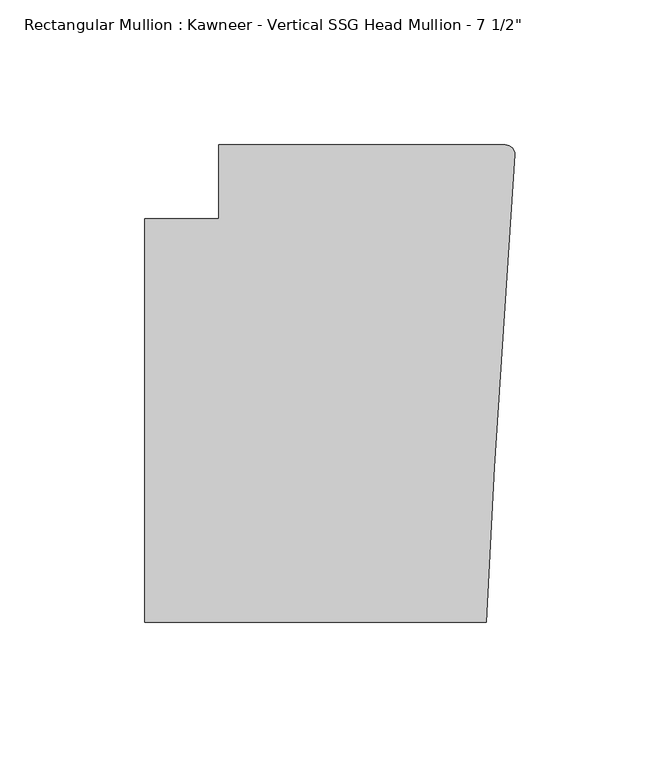
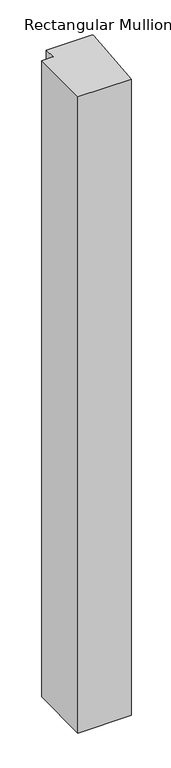
"""IFC4 building model written with IfcOpenShell, lengths in millimetres: member geometry."""

from ifc_helpers import new_model, si_unit, point, frame, frame_2d, origin, place, context, project, spatial, polyline, circle_curve, trimmed, segment, composite_curve, outline, extrude, source, transform, mapped, element, save


def member_6d92d94d(model_context):
    return source(origin(), model_context, "Body", "SweptSolid", [
        extrude(outline(composite_curve([segment(polyline([(-102.08978, 12.7), (-3.175, 12.7)]), True, "CONTINUOUS"), segment(trimmed(circle_curve(frame_2d((-3.175, 9.525)), 3.175), [point((-3.175, 12.7))], [point((-0.006635, 9.3198462))], False, "CARTESIAN"), True, "CONTINUOUS"), segment(polyline([(-0.006635, 9.3198462), (-6.9873394, -98.4891117), (-9.7860662, -151.892), (-127.4896668, -151.892), (-127.4896668, -12.7), (-102.08978, -12.7), (-102.08978, 12.7)]), True, "CONTINUOUS")], self_intersect=False)), frame((0.0, 0.0, -1484.9016552), z_axis=(0.0, 0.0, 1.0), x_axis=(1.0, 0.0, 0.0)), (0.0, 0.0, 1.0), 1484.9016552),
    ])


if __name__ == "__main__":
    model = new_model("IFC4")
    model_context = context("Model", 3, world=origin())
    ifc_project = project(units=[si_unit("LENGTHUNIT", "METRE", prefix="MILLI")], contexts=[model_context])
    site = spatial("IfcSite", under=ifc_project)
    building = spatial("IfcBuilding", under=site)
    placement = place(None, origin())
    member_shape = member_6d92d94d(model_context)
    element("IfcMember", 1, ObjectType="Rectangular Mullion : Kawneer - Vertical SSG Head Mullion - 7 1/2\"", at=placement, inside=building, context=model_context, shape_type="MappedRepresentation", body=[
        mapped(member_shape, transform((0.0, 0.0, 0.0), x_axis=(1.0, 0.0, 0.0), y_axis=(0.0, 1.0, 0.0), z_axis=(0.0, 0.0, 1.0))),
    ])
    save(model, "model.ifc")
